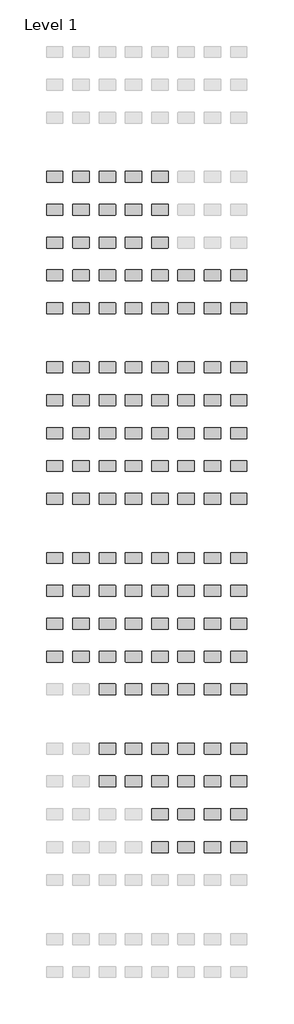
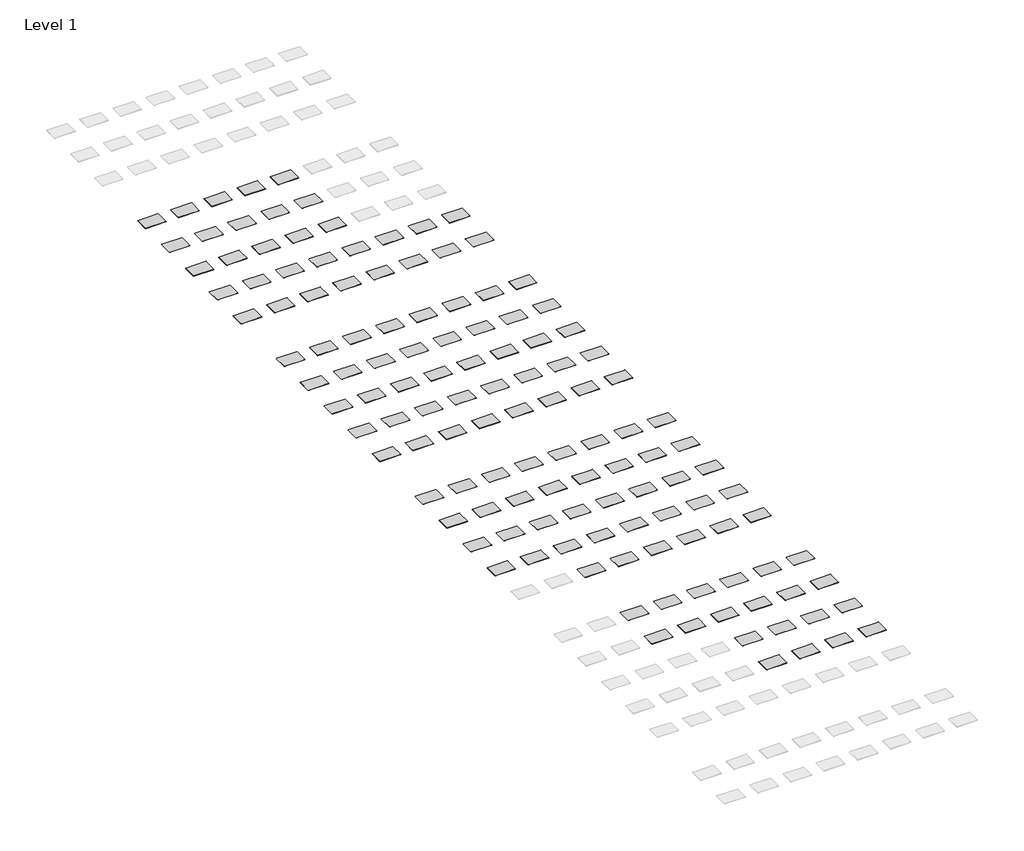
# One storey, part 7 of 8: 129 furniture elements.
"""IFC4 building model written with IfcOpenShell, lengths in millimetres."""

import ifcopenshell
import ifcopenshell.guid

model = None  # the IFC model being written
_history = None  # IfcOwnerHistory: only IFC2X3 demands one
_inside = {}  # id of a spatial element -> (the spatial element, [elements in it])
_under = {}  # id of a project, library or spatial element -> (it, [spatial elements below it])
_declared = {}  # id of a project -> (the project, [libraries it declares])
_typed = {}  # id of a type object -> (the type object, [elements of that type])
_made_of = {}  # id of a material, layer set ... -> (it, [elements and type objects made of it])


def new_model(schema):
    """Start an empty IFC model of exactly this schema.

    Asked for "IFC4X3", IfcOpenShell would pick the latest addendum, in which some entities
    have other attributes; the version numbers below select the first issue.
    IFC2X3 requires an IfcOwnerHistory on every rooted entity: one is made here for all.
    """
    global model, _history
    if schema == "IFC4X3":
        model = ifcopenshell.file(schema_version=(4, 3, 0, 0))
    else:
        model = ifcopenshell.file(schema=schema)
    _inside.clear()
    _under.clear()
    _declared.clear()
    _typed.clear()
    _made_of.clear()
    _history = None
    if model.schema == "IFC2X3":
        org = make("IfcOrganization", Name="unknown")
        user = make(
            "IfcPersonAndOrganization",
            ThePerson=make("IfcPerson", FamilyName="unknown"),
            TheOrganization=org,
        )
        app = make(
            "IfcApplication",
            ApplicationDeveloper=org,
            Version="unknown",
            ApplicationFullName="unknown",
            ApplicationIdentifier="unknown",
        )
        _history = make(
            "IfcOwnerHistory",
            OwningUser=user,
            OwningApplication=app,
            ChangeAction="ADDED",
            CreationDate=0,
        )
    return model


def make(cls, **values):
    """One entity of the class cls with the attributes given. An attribute that is None is left unset."""
    return model.create_entity(
        cls, **{name: value for name, value in values.items() if value is not None}
    )


def rooted(cls, **values):
    """An entity with a GlobalId (a new one), such as an element, a storey or a relation."""
    return make(cls, GlobalId=ifcopenshell.guid.new(), OwnerHistory=_history, **values)


def si_unit(unit_type, name, prefix=None):
    """IfcSIUnit, for example si_unit("LENGTHUNIT", "METRE", prefix="MILLI")."""
    return make("IfcSIUnit", UnitType=unit_type, Prefix=prefix, Name=name)


def assignment(units):
    """IfcUnitAssignment: the units of a project."""
    return None if units is None else make("IfcUnitAssignment", Units=units)


def point(xyz):
    """IfcCartesianPoint."""
    return None if xyz is None else make("IfcCartesianPoint", Coordinates=xyz)


def direction(xyz):
    """IfcDirection."""
    return None if xyz is None else make("IfcDirection", DirectionRatios=xyz)


def frame(location, z_axis=None, x_axis=None):
    """IfcAxis2Placement3D, a coordinate frame: its origin and axes. An axis left out is left unset."""
    return make(
        "IfcAxis2Placement3D",
        Location=point(location),
        Axis=direction(z_axis),
        RefDirection=direction(x_axis),
    )


def frame_2d(location, x_axis=None):
    """IfcAxis2Placement2D, a coordinate frame in the plane: its origin and x axis."""
    return make(
        "IfcAxis2Placement2D", Location=point(location), RefDirection=direction(x_axis)
    )


def origin():
    """The frame at (0, 0, 0) with its axes left unset."""
    return frame((0.0, 0.0, 0.0))


def place(relative_to, where):
    """IfcLocalPlacement: puts the frame where relative to a parent placement (None: the world)."""
    return make(
        "IfcLocalPlacement", PlacementRelTo=relative_to, RelativePlacement=where
    )


def context(
    kind, dimensions, precision=None, world=None, true_north=None, identifier=None
):
    """IfcGeometricRepresentationContext, for example the 3D "Model" context."""
    return make(
        "IfcGeometricRepresentationContext",
        ContextIdentifier=identifier,
        ContextType=kind,
        CoordinateSpaceDimension=dimensions,
        Precision=precision,
        WorldCoordinateSystem=world,
        TrueNorth=true_north,
    )


def project(units=None, contexts=None):
    """IfcProject with its units and contexts."""
    return rooted(
        "IfcProject",
        Name="project",
        RepresentationContexts=contexts,
        UnitsInContext=assignment(units),
    )


def spatial(cls, under=None, at=None, **own):
    """A site, building, storey or space (cls), placed at a placement, below another one or the project."""
    s = rooted(cls, ObjectPlacement=at, **own)
    if under is not None:
        _under.setdefault(under.id(), (under, []))[1].append(s)
    return s


def polyline(points):
    """IfcPolyline through the points."""
    return make("IfcPolyline", Points=[point(p) for p in points])


def circle_curve(where, radius):
    """IfcCircle in the frame where."""
    return make("IfcCircle", Position=where, Radius=radius)


def trimmed(basis, trim1, trim2, sense, master):
    """IfcTrimmedCurve: the piece of a basis curve between two trims."""
    return make(
        "IfcTrimmedCurve",
        BasisCurve=basis,
        Trim1=trim1,
        Trim2=trim2,
        SenseAgreement=sense,
        MasterRepresentation=master,
    )


def segment(curve, same_sense, transition):
    """IfcCompositeCurveSegment."""
    return make(
        "IfcCompositeCurveSegment",
        Transition=transition,
        SameSense=same_sense,
        ParentCurve=curve,
    )


def composite_curve(segments, self_intersect=None):
    """IfcCompositeCurve: segments joined end to end."""
    return make("IfcCompositeCurve", Segments=segments, SelfIntersect=self_intersect)


def outline(outer, holes=None, kind="AREA"):
    """IfcArbitraryClosedProfileDef: a profile drawn as a closed curve; with holes, ...WithVoids."""
    if holes is None:
        return make("IfcArbitraryClosedProfileDef", ProfileType=kind, OuterCurve=outer)
    return make(
        "IfcArbitraryProfileDefWithVoids",
        ProfileType=kind,
        OuterCurve=outer,
        InnerCurves=holes,
    )


def extrude(swept, where, along, depth):
    """IfcExtrudedAreaSolid: the profile swept, set in the frame where, extruded along a direction by depth."""
    return make(
        "IfcExtrudedAreaSolid",
        SweptArea=swept,
        Position=where,
        ExtrudedDirection=direction(along),
        Depth=depth,
    )


def shape(context_of_items, identifier, shape_type, items):
    """IfcShapeRepresentation: the items that make up one representation, for example the "Body"."""
    return make(
        "IfcShapeRepresentation",
        ContextOfItems=context_of_items,
        RepresentationIdentifier=identifier,
        RepresentationType=shape_type,
        Items=items,
    )


def source(mapping_origin, context_of_items, identifier, shape_type, items):
    """IfcRepresentationMap: a shape defined once, which mapped items show again and again."""
    return make(
        "IfcRepresentationMap",
        MappingOrigin=mapping_origin,
        MappedRepresentation=shape(context_of_items, identifier, shape_type, items),
    )


def transform(
    local_origin,
    x_axis=None,
    y_axis=None,
    z_axis=None,
    scale=None,
    scale2=None,
    scale3=None,
    uniform=True,
):
    """IfcCartesianTransformationOperator3D, or its non-uniform kind. x_axis, y_axis, z_axis: its Axis1, 2, 3."""
    if uniform:
        return make(
            "IfcCartesianTransformationOperator3D",
            Axis1=direction(x_axis),
            Axis2=direction(y_axis),
            LocalOrigin=point(local_origin),
            Scale=scale,
            Axis3=direction(z_axis),
        )
    return make(
        "IfcCartesianTransformationOperator3DnonUniform",
        Axis1=direction(x_axis),
        Axis2=direction(y_axis),
        LocalOrigin=point(local_origin),
        Scale=scale,
        Axis3=direction(z_axis),
        Scale2=scale2,
        Scale3=scale3,
    )


def mapped(mapping_source, mapping_target):
    """IfcMappedItem: shows the shape of a source again, moved by a transform."""
    return make(
        "IfcMappedItem", MappingSource=mapping_source, MappingTarget=mapping_target
    )


def made_of(thing, what):
    """Note that an element or type object is made of a material, layer set ...; save() writes the relation."""
    if what is not None:
        _made_of.setdefault(what.id(), (what, []))[1].append(thing)
    return thing


def element(
    cls,
    number,
    at=None,
    inside=None,
    cuts=None,
    type_object=None,
    material=None,
    context=None,
    identifier="Body",
    shape_type=None,
    held_by="IfcProductDefinitionShape",
    body=None,
    shapes=None,
    **own,
):
    """One element of the class cls, such as IfcWall. Its Tag is "e" and its number.

    at: its placement. inside: the storey or other place that contains it. cuts: it is an
    opening in that element (IfcRelVoidsElement). A single representation is given by context,
    identifier, shape_type and body (its items); several are given by shapes. held_by: the class
    of the entity that holds the representations. save() writes the other relations.
    """
    e = rooted(cls, Tag="e%d" % number, ObjectPlacement=at, **own)
    if body is not None:
        shapes = [shape(context, identifier, shape_type, body)]
    if shapes is not None:
        e.Representation = make(held_by, Representations=shapes)
    if inside is not None:
        _inside.setdefault(inside.id(), (inside, []))[1].append(e)
    if cuts is not None:
        rooted(
            "IfcRelVoidsElement", RelatingBuildingElement=cuts, RelatedOpeningElement=e
        )
    if type_object is not None:
        _typed.setdefault(type_object.id(), (type_object, []))[1].append(e)
    return made_of(e, material)


def aggregate(whole, parts):
    """IfcRelAggregates: a whole, such as a stair, and the parts it consists of."""
    return rooted("IfcRelAggregates", RelatingObject=whole, RelatedObjects=parts)


def save(model, path):
    """Write the relations noted so far, then the file.

    IfcRelAggregates (storeys below a building ...), IfcRelContainedInSpatialStructure (elements
    in a storey), IfcRelDefinesByType, IfcRelAssociatesMaterial and IfcRelDeclares: one each for
    every whole, place, type object, material and project.
    """
    for whole, parts in _under.values():
        aggregate(whole, parts)
    for where, things in _inside.values():
        rooted(
            "IfcRelContainedInSpatialStructure",
            RelatedElements=things,
            RelatingStructure=where,
        )
    for kind, things in _typed.values():
        rooted("IfcRelDefinesByType", RelatedObjects=things, RelatingType=kind)
    for what, things in _made_of.values():
        rooted("IfcRelAssociatesMaterial", RelatedObjects=things, RelatingMaterial=what)
    for by, libraries in _declared.values():
        rooted("IfcRelDeclares", RelatingContext=by, RelatedDefinitions=libraries)
    model.write(path)


def furniture_2008_material_sample3_2x3x1_8_96bf408c(model_context):
    return source(origin(), model_context, "Body", "SweptSolid", [
        extrude(outline(composite_curve([segment(trimmed(circle_curve(frame_2d((21215.2392185, 10811.8982463)), 6.35), [point((21215.2392185, 10818.2482463))], [point((21221.5892185, 10811.8982463))], False, "CARTESIAN"), True, "CONTINUOUS"), segment(polyline([(21221.5892185, 10811.8982463), (21221.5892185, 10570.5982463)]), True, "CONTINUOUS"), segment(trimmed(circle_curve(frame_2d((21215.2392185, 10570.5982463)), 6.35), [point((21221.5892185, 10570.5982463))], [point((21215.2392185, 10564.2482463))], False, "CARTESIAN"), True, "CONTINUOUS"), segment(polyline([(21215.2392185, 10564.2482463), (20846.9392185, 10564.2482463)]), True, "CONTINUOUS"), segment(trimmed(circle_curve(frame_2d((20846.9392185, 10570.5982463)), 6.35), [point((20846.9392185, 10564.2482463))], [point((20840.5892185, 10570.5982463))], False, "CARTESIAN"), True, "CONTINUOUS"), segment(polyline([(20840.5892185, 10570.5982463), (20840.5892185, 10811.8982463)]), True, "CONTINUOUS"), segment(trimmed(circle_curve(frame_2d((20846.9392185, 10811.8982463)), 6.35), [point((20840.5892185, 10811.8982463))], [point((20846.9392185, 10818.2482463))], False, "CARTESIAN"), True, "CONTINUOUS"), segment(polyline([(20846.9392185, 10818.2482463), (21215.2392185, 10818.2482463)]), True, "CONTINUOUS")], self_intersect=False)), frame((0.0, 0.0, -3.175), z_axis=(0.0, 0.0, 1.0), x_axis=(1.0, 0.0, 0.0)), (0.0, 0.0, 1.0), 3.175),
    ])


model = new_model("IFC4")

# Units and contexts
model_context = context("Model", 3, world=origin())
ifc_project = project(units=[si_unit("LENGTHUNIT", "METRE", prefix="MILLI")], contexts=[model_context])

# Site, building, storey
site = spatial("IfcSite", under=ifc_project)
building = spatial("IfcBuilding", under=site)
storey = spatial("IfcBuildingStorey", under=building, Name="Level 1", Elevation=0.0)

# Furniture
placement = place(None, origin())
furniture_2008_material_sample3_2x3x1_8_shape = furniture_2008_material_sample3_2x3x1_8_96bf408c(model_context)
element("IfcFurniture", 1, ObjectType="2008_Material Sample3 : 2x3x1/8", at=placement, inside=storey, context=model_context, shape_type="MappedRepresentation", body=[
    mapped(furniture_2008_material_sample3_2x3x1_8_shape, transform((-21031.0892185, -24331.0482463, 304.8), x_axis=(1.0, 0.0, 0.0), y_axis=(0.0, 1.0, 0.0), z_axis=(0.0, 0.0, 1.0))),
])
element("IfcFurniture", 2, ObjectType="2008_Material Sample3 : 2x3x1/8", at=placement, inside=storey, context=model_context, shape_type="MappedRepresentation", body=[
    mapped(furniture_2008_material_sample3_2x3x1_8_shape, transform((-20421.4892185, -24331.0482463, 304.8), x_axis=(1.0, 0.0, 0.0), y_axis=(0.0, 1.0, 0.0), z_axis=(0.0, 0.0, 1.0))),
])
element("IfcFurniture", 3, ObjectType="2008_Material Sample3 : 2x3x1/8", at=placement, inside=storey, context=model_context, shape_type="MappedRepresentation", body=[
    mapped(furniture_2008_material_sample3_2x3x1_8_shape, transform((-19811.8892185, -24331.0482463, 304.8), x_axis=(1.0, 0.0, 0.0), y_axis=(0.0, 1.0, 0.0), z_axis=(0.0, 0.0, 1.0))),
])
element("IfcFurniture", 4, ObjectType="2008_Material Sample3 : 2x3x1/8", at=placement, inside=storey, context=model_context, shape_type="MappedRepresentation", body=[
    mapped(furniture_2008_material_sample3_2x3x1_8_shape, transform((-19202.2892185, -24331.0482463, 304.8), x_axis=(1.0, 0.0, 0.0), y_axis=(0.0, 1.0, 0.0), z_axis=(0.0, 0.0, 1.0))),
])
element("IfcFurniture", 5, ObjectType="2008_Material Sample3 : 2x3x1/8", at=placement, inside=storey, context=model_context, shape_type="MappedRepresentation", body=[
    mapped(furniture_2008_material_sample3_2x3x1_8_shape, transform((-18592.6892185, -24331.0482463, 304.8), x_axis=(1.0, 0.0, 0.0), y_axis=(0.0, 1.0, 0.0), z_axis=(0.0, 0.0, 1.0))),
])
element("IfcFurniture", 6, ObjectType="2008_Material Sample3 : 2x3x1/8", at=placement, inside=storey, context=model_context, shape_type="MappedRepresentation", body=[
    mapped(furniture_2008_material_sample3_2x3x1_8_shape, transform((-21031.0892185, -25093.0482463, 304.8), x_axis=(1.0, 0.0, 0.0), y_axis=(0.0, 1.0, 0.0), z_axis=(0.0, 0.0, 1.0))),
])
element("IfcFurniture", 7, ObjectType="2008_Material Sample3 : 2x3x1/8", at=placement, inside=storey, context=model_context, shape_type="MappedRepresentation", body=[
    mapped(furniture_2008_material_sample3_2x3x1_8_shape, transform((-20421.4892185, -25093.0482463, 304.8), x_axis=(1.0, 0.0, 0.0), y_axis=(0.0, 1.0, 0.0), z_axis=(0.0, 0.0, 1.0))),
])
element("IfcFurniture", 8, ObjectType="2008_Material Sample3 : 2x3x1/8", at=placement, inside=storey, context=model_context, shape_type="MappedRepresentation", body=[
    mapped(furniture_2008_material_sample3_2x3x1_8_shape, transform((-19811.8892185, -25093.0482463, 304.8), x_axis=(1.0, 0.0, 0.0), y_axis=(0.0, 1.0, 0.0), z_axis=(0.0, 0.0, 1.0))),
])
element("IfcFurniture", 9, ObjectType="2008_Material Sample3 : 2x3x1/8", at=placement, inside=storey, context=model_context, shape_type="MappedRepresentation", body=[
    mapped(furniture_2008_material_sample3_2x3x1_8_shape, transform((-19202.2892185, -25093.0482463, 304.8), x_axis=(1.0, 0.0, 0.0), y_axis=(0.0, 1.0, 0.0), z_axis=(0.0, 0.0, 1.0))),
])
element("IfcFurniture", 10, ObjectType="2008_Material Sample3 : 2x3x1/8", at=placement, inside=storey, context=model_context, shape_type="MappedRepresentation", body=[
    mapped(furniture_2008_material_sample3_2x3x1_8_shape, transform((-18592.6892185, -25093.0482463, 304.8), x_axis=(1.0, 0.0, 0.0), y_axis=(0.0, 1.0, 0.0), z_axis=(0.0, 0.0, 1.0))),
])
element("IfcFurniture", 11, ObjectType="2008_Material Sample3 : 2x3x1/8", at=placement, inside=storey, context=model_context, shape_type="MappedRepresentation", body=[
    mapped(furniture_2008_material_sample3_2x3x1_8_shape, transform((-21031.0892185, -25855.0482463, 304.8), x_axis=(1.0, 0.0, 0.0), y_axis=(0.0, 1.0, 0.0), z_axis=(0.0, 0.0, 1.0))),
])
element("IfcFurniture", 12, ObjectType="2008_Material Sample3 : 2x3x1/8", at=placement, inside=storey, context=model_context, shape_type="MappedRepresentation", body=[
    mapped(furniture_2008_material_sample3_2x3x1_8_shape, transform((-20421.4892185, -25855.0482463, 304.8), x_axis=(1.0, 0.0, 0.0), y_axis=(0.0, 1.0, 0.0), z_axis=(0.0, 0.0, 1.0))),
])
element("IfcFurniture", 13, ObjectType="2008_Material Sample3 : 2x3x1/8", at=placement, inside=storey, context=model_context, shape_type="MappedRepresentation", body=[
    mapped(furniture_2008_material_sample3_2x3x1_8_shape, transform((-19811.8892185, -25855.0482463, 304.8), x_axis=(1.0, 0.0, 0.0), y_axis=(0.0, 1.0, 0.0), z_axis=(0.0, 0.0, 1.0))),
])
element("IfcFurniture", 14, ObjectType="2008_Material Sample3 : 2x3x1/8", at=placement, inside=storey, context=model_context, shape_type="MappedRepresentation", body=[
    mapped(furniture_2008_material_sample3_2x3x1_8_shape, transform((-19202.2892185, -25855.0482463, 304.8), x_axis=(1.0, 0.0, 0.0), y_axis=(0.0, 1.0, 0.0), z_axis=(0.0, 0.0, 1.0))),
])
element("IfcFurniture", 15, ObjectType="2008_Material Sample3 : 2x3x1/8", at=placement, inside=storey, context=model_context, shape_type="MappedRepresentation", body=[
    mapped(furniture_2008_material_sample3_2x3x1_8_shape, transform((-18592.6892185, -25855.0482463, 304.8), x_axis=(1.0, 0.0, 0.0), y_axis=(0.0, 1.0, 0.0), z_axis=(0.0, 0.0, 1.0))),
])
element("IfcFurniture", 16, ObjectType="2008_Material Sample3 : 2x3x1/8", at=placement, inside=storey, context=model_context, shape_type="MappedRepresentation", body=[
    mapped(furniture_2008_material_sample3_2x3x1_8_shape, transform((-21031.0892185, -26617.0482463, 304.8), x_axis=(1.0, 0.0, 0.0), y_axis=(0.0, 1.0, 0.0), z_axis=(0.0, 0.0, 1.0))),
])
element("IfcFurniture", 17, ObjectType="2008_Material Sample3 : 2x3x1/8", at=placement, inside=storey, context=model_context, shape_type="MappedRepresentation", body=[
    mapped(furniture_2008_material_sample3_2x3x1_8_shape, transform((-20421.4892185, -26617.0482463, 304.8), x_axis=(1.0, 0.0, 0.0), y_axis=(0.0, 1.0, 0.0), z_axis=(0.0, 0.0, 1.0))),
])
element("IfcFurniture", 18, ObjectType="2008_Material Sample3 : 2x3x1/8", at=placement, inside=storey, context=model_context, shape_type="MappedRepresentation", body=[
    mapped(furniture_2008_material_sample3_2x3x1_8_shape, transform((-19811.8892185, -26617.0482463, 304.8), x_axis=(1.0, 0.0, 0.0), y_axis=(0.0, 1.0, 0.0), z_axis=(0.0, 0.0, 1.0))),
])
element("IfcFurniture", 19, ObjectType="2008_Material Sample3 : 2x3x1/8", at=placement, inside=storey, context=model_context, shape_type="MappedRepresentation", body=[
    mapped(furniture_2008_material_sample3_2x3x1_8_shape, transform((-19202.2892185, -26617.0482463, 304.8), x_axis=(1.0, 0.0, 0.0), y_axis=(0.0, 1.0, 0.0), z_axis=(0.0, 0.0, 1.0))),
])
element("IfcFurniture", 20, ObjectType="2008_Material Sample3 : 2x3x1/8", at=placement, inside=storey, context=model_context, shape_type="MappedRepresentation", body=[
    mapped(furniture_2008_material_sample3_2x3x1_8_shape, transform((-18592.6892185, -26617.0482463, 304.8), x_axis=(1.0, 0.0, 0.0), y_axis=(0.0, 1.0, 0.0), z_axis=(0.0, 0.0, 1.0))),
])
element("IfcFurniture", 21, ObjectType="2008_Material Sample3 : 2x3x1/8", at=placement, inside=storey, context=model_context, shape_type="MappedRepresentation", body=[
    mapped(furniture_2008_material_sample3_2x3x1_8_shape, transform((-17983.0892185, -26617.0482463, 304.8), x_axis=(1.0, 0.0, 0.0), y_axis=(0.0, 1.0, 0.0), z_axis=(0.0, 0.0, 1.0))),
])
element("IfcFurniture", 22, ObjectType="2008_Material Sample3 : 2x3x1/8", at=placement, inside=storey, context=model_context, shape_type="MappedRepresentation", body=[
    mapped(furniture_2008_material_sample3_2x3x1_8_shape, transform((-17373.4892185, -26617.0482463, 304.8), x_axis=(1.0, 0.0, 0.0), y_axis=(0.0, 1.0, 0.0), z_axis=(0.0, 0.0, 1.0))),
])
element("IfcFurniture", 23, ObjectType="2008_Material Sample3 : 2x3x1/8", at=placement, inside=storey, context=model_context, shape_type="MappedRepresentation", body=[
    mapped(furniture_2008_material_sample3_2x3x1_8_shape, transform((-16763.8892185, -26617.0482463, 304.8), x_axis=(1.0, 0.0, 0.0), y_axis=(0.0, 1.0, 0.0), z_axis=(0.0, 0.0, 1.0))),
])
element("IfcFurniture", 24, ObjectType="2008_Material Sample3 : 2x3x1/8", at=placement, inside=storey, context=model_context, shape_type="MappedRepresentation", body=[
    mapped(furniture_2008_material_sample3_2x3x1_8_shape, transform((-21031.0892185, -27379.0482463, 304.8), x_axis=(1.0, 0.0, 0.0), y_axis=(0.0, 1.0, 0.0), z_axis=(0.0, 0.0, 1.0))),
])
element("IfcFurniture", 25, ObjectType="2008_Material Sample3 : 2x3x1/8", at=placement, inside=storey, context=model_context, shape_type="MappedRepresentation", body=[
    mapped(furniture_2008_material_sample3_2x3x1_8_shape, transform((-20421.4892185, -27379.0482463, 304.8), x_axis=(1.0, 0.0, 0.0), y_axis=(0.0, 1.0, 0.0), z_axis=(0.0, 0.0, 1.0))),
])
element("IfcFurniture", 26, ObjectType="2008_Material Sample3 : 2x3x1/8", at=placement, inside=storey, context=model_context, shape_type="MappedRepresentation", body=[
    mapped(furniture_2008_material_sample3_2x3x1_8_shape, transform((-19811.8892185, -27379.0482463, 304.8), x_axis=(1.0, 0.0, 0.0), y_axis=(0.0, 1.0, 0.0), z_axis=(0.0, 0.0, 1.0))),
])
element("IfcFurniture", 27, ObjectType="2008_Material Sample3 : 2x3x1/8", at=placement, inside=storey, context=model_context, shape_type="MappedRepresentation", body=[
    mapped(furniture_2008_material_sample3_2x3x1_8_shape, transform((-19202.2892185, -27379.0482463, 304.8), x_axis=(1.0, 0.0, 0.0), y_axis=(0.0, 1.0, 0.0), z_axis=(0.0, 0.0, 1.0))),
])
element("IfcFurniture", 28, ObjectType="2008_Material Sample3 : 2x3x1/8", at=placement, inside=storey, context=model_context, shape_type="MappedRepresentation", body=[
    mapped(furniture_2008_material_sample3_2x3x1_8_shape, transform((-18592.6892185, -27379.0482463, 304.8), x_axis=(1.0, 0.0, 0.0), y_axis=(0.0, 1.0, 0.0), z_axis=(0.0, 0.0, 1.0))),
])
element("IfcFurniture", 29, ObjectType="2008_Material Sample3 : 2x3x1/8", at=placement, inside=storey, context=model_context, shape_type="MappedRepresentation", body=[
    mapped(furniture_2008_material_sample3_2x3x1_8_shape, transform((-17983.0892185, -27379.0482463, 304.8), x_axis=(1.0, 0.0, 0.0), y_axis=(0.0, 1.0, 0.0), z_axis=(0.0, 0.0, 1.0))),
])
element("IfcFurniture", 30, ObjectType="2008_Material Sample3 : 2x3x1/8", at=placement, inside=storey, context=model_context, shape_type="MappedRepresentation", body=[
    mapped(furniture_2008_material_sample3_2x3x1_8_shape, transform((-17373.4892185, -27379.0482463, 304.8), x_axis=(1.0, 0.0, 0.0), y_axis=(0.0, 1.0, 0.0), z_axis=(0.0, 0.0, 1.0))),
])
element("IfcFurniture", 31, ObjectType="2008_Material Sample3 : 2x3x1/8", at=placement, inside=storey, context=model_context, shape_type="MappedRepresentation", body=[
    mapped(furniture_2008_material_sample3_2x3x1_8_shape, transform((-16763.8892185, -27379.0482463, 304.8), x_axis=(1.0, 0.0, 0.0), y_axis=(0.0, 1.0, 0.0), z_axis=(0.0, 0.0, 1.0))),
])
element("IfcFurniture", 32, ObjectType="2008_Material Sample3 : 2x3x1/8", at=placement, inside=storey, context=model_context, shape_type="MappedRepresentation", body=[
    mapped(furniture_2008_material_sample3_2x3x1_8_shape, transform((-21031.0892185, -28750.6482463, 304.8), x_axis=(1.0, 0.0, 0.0), y_axis=(0.0, 1.0, 0.0), z_axis=(0.0, 0.0, 1.0))),
])
element("IfcFurniture", 33, ObjectType="2008_Material Sample3 : 2x3x1/8", at=placement, inside=storey, context=model_context, shape_type="MappedRepresentation", body=[
    mapped(furniture_2008_material_sample3_2x3x1_8_shape, transform((-20421.4892185, -28750.6482463, 304.8), x_axis=(1.0, 0.0, 0.0), y_axis=(0.0, 1.0, 0.0), z_axis=(0.0, 0.0, 1.0))),
])
element("IfcFurniture", 34, ObjectType="2008_Material Sample3 : 2x3x1/8", at=placement, inside=storey, context=model_context, shape_type="MappedRepresentation", body=[
    mapped(furniture_2008_material_sample3_2x3x1_8_shape, transform((-19811.8892185, -28750.6482463, 304.8), x_axis=(1.0, 0.0, 0.0), y_axis=(0.0, 1.0, 0.0), z_axis=(0.0, 0.0, 1.0))),
])
element("IfcFurniture", 35, ObjectType="2008_Material Sample3 : 2x3x1/8", at=placement, inside=storey, context=model_context, shape_type="MappedRepresentation", body=[
    mapped(furniture_2008_material_sample3_2x3x1_8_shape, transform((-19202.2892185, -28750.6482463, 304.8), x_axis=(1.0, 0.0, 0.0), y_axis=(0.0, 1.0, 0.0), z_axis=(0.0, 0.0, 1.0))),
])
element("IfcFurniture", 36, ObjectType="2008_Material Sample3 : 2x3x1/8", at=placement, inside=storey, context=model_context, shape_type="MappedRepresentation", body=[
    mapped(furniture_2008_material_sample3_2x3x1_8_shape, transform((-18592.6892185, -28750.6482463, 304.8), x_axis=(1.0, 0.0, 0.0), y_axis=(0.0, 1.0, 0.0), z_axis=(0.0, 0.0, 1.0))),
])
element("IfcFurniture", 37, ObjectType="2008_Material Sample3 : 2x3x1/8", at=placement, inside=storey, context=model_context, shape_type="MappedRepresentation", body=[
    mapped(furniture_2008_material_sample3_2x3x1_8_shape, transform((-17983.0892185, -28750.6482463, 304.8), x_axis=(1.0, 0.0, 0.0), y_axis=(0.0, 1.0, 0.0), z_axis=(0.0, 0.0, 1.0))),
])
element("IfcFurniture", 38, ObjectType="2008_Material Sample3 : 2x3x1/8", at=placement, inside=storey, context=model_context, shape_type="MappedRepresentation", body=[
    mapped(furniture_2008_material_sample3_2x3x1_8_shape, transform((-17373.4892185, -28750.6482463, 304.8), x_axis=(1.0, 0.0, 0.0), y_axis=(0.0, 1.0, 0.0), z_axis=(0.0, 0.0, 1.0))),
])
element("IfcFurniture", 39, ObjectType="2008_Material Sample3 : 2x3x1/8", at=placement, inside=storey, context=model_context, shape_type="MappedRepresentation", body=[
    mapped(furniture_2008_material_sample3_2x3x1_8_shape, transform((-16763.8892185, -28750.6482463, 304.8), x_axis=(1.0, 0.0, 0.0), y_axis=(0.0, 1.0, 0.0), z_axis=(0.0, 0.0, 1.0))),
])
element("IfcFurniture", 40, ObjectType="2008_Material Sample3 : 2x3x1/8", at=placement, inside=storey, context=model_context, shape_type="MappedRepresentation", body=[
    mapped(furniture_2008_material_sample3_2x3x1_8_shape, transform((-21031.0892185, -29512.6482463, 304.8), x_axis=(1.0, 0.0, 0.0), y_axis=(0.0, 1.0, 0.0), z_axis=(0.0, 0.0, 1.0))),
])
element("IfcFurniture", 41, ObjectType="2008_Material Sample3 : 2x3x1/8", at=placement, inside=storey, context=model_context, shape_type="MappedRepresentation", body=[
    mapped(furniture_2008_material_sample3_2x3x1_8_shape, transform((-20421.4892185, -29512.6482463, 304.8), x_axis=(1.0, 0.0, 0.0), y_axis=(0.0, 1.0, 0.0), z_axis=(0.0, 0.0, 1.0))),
])
element("IfcFurniture", 42, ObjectType="2008_Material Sample3 : 2x3x1/8", at=placement, inside=storey, context=model_context, shape_type="MappedRepresentation", body=[
    mapped(furniture_2008_material_sample3_2x3x1_8_shape, transform((-19811.8892185, -29512.6482463, 304.8), x_axis=(1.0, 0.0, 0.0), y_axis=(0.0, 1.0, 0.0), z_axis=(0.0, 0.0, 1.0))),
])
element("IfcFurniture", 43, ObjectType="2008_Material Sample3 : 2x3x1/8", at=placement, inside=storey, context=model_context, shape_type="MappedRepresentation", body=[
    mapped(furniture_2008_material_sample3_2x3x1_8_shape, transform((-19202.2892185, -29512.6482463, 304.8), x_axis=(1.0, 0.0, 0.0), y_axis=(0.0, 1.0, 0.0), z_axis=(0.0, 0.0, 1.0))),
])
element("IfcFurniture", 44, ObjectType="2008_Material Sample3 : 2x3x1/8", at=placement, inside=storey, context=model_context, shape_type="MappedRepresentation", body=[
    mapped(furniture_2008_material_sample3_2x3x1_8_shape, transform((-18592.6892185, -29512.6482463, 304.8), x_axis=(1.0, 0.0, 0.0), y_axis=(0.0, 1.0, 0.0), z_axis=(0.0, 0.0, 1.0))),
])
element("IfcFurniture", 45, ObjectType="2008_Material Sample3 : 2x3x1/8", at=placement, inside=storey, context=model_context, shape_type="MappedRepresentation", body=[
    mapped(furniture_2008_material_sample3_2x3x1_8_shape, transform((-17983.0892185, -29512.6482463, 304.8), x_axis=(1.0, 0.0, 0.0), y_axis=(0.0, 1.0, 0.0), z_axis=(0.0, 0.0, 1.0))),
])
element("IfcFurniture", 46, ObjectType="2008_Material Sample3 : 2x3x1/8", at=placement, inside=storey, context=model_context, shape_type="MappedRepresentation", body=[
    mapped(furniture_2008_material_sample3_2x3x1_8_shape, transform((-17373.4892185, -29512.6482463, 304.8), x_axis=(1.0, 0.0, 0.0), y_axis=(0.0, 1.0, 0.0), z_axis=(0.0, 0.0, 1.0))),
])
element("IfcFurniture", 47, ObjectType="2008_Material Sample3 : 2x3x1/8", at=placement, inside=storey, context=model_context, shape_type="MappedRepresentation", body=[
    mapped(furniture_2008_material_sample3_2x3x1_8_shape, transform((-16763.8892185, -29512.6482463, 304.8), x_axis=(1.0, 0.0, 0.0), y_axis=(0.0, 1.0, 0.0), z_axis=(0.0, 0.0, 1.0))),
])
element("IfcFurniture", 48, ObjectType="2008_Material Sample3 : 2x3x1/8", at=placement, inside=storey, context=model_context, shape_type="MappedRepresentation", body=[
    mapped(furniture_2008_material_sample3_2x3x1_8_shape, transform((-21031.0892185, -30274.6482463, 304.8), x_axis=(1.0, 0.0, 0.0), y_axis=(0.0, 1.0, 0.0), z_axis=(0.0, 0.0, 1.0))),
])
element("IfcFurniture", 49, ObjectType="2008_Material Sample3 : 2x3x1/8", at=placement, inside=storey, context=model_context, shape_type="MappedRepresentation", body=[
    mapped(furniture_2008_material_sample3_2x3x1_8_shape, transform((-20421.4892185, -30274.6482463, 304.8), x_axis=(1.0, 0.0, 0.0), y_axis=(0.0, 1.0, 0.0), z_axis=(0.0, 0.0, 1.0))),
])
element("IfcFurniture", 50, ObjectType="2008_Material Sample3 : 2x3x1/8", at=placement, inside=storey, context=model_context, shape_type="MappedRepresentation", body=[
    mapped(furniture_2008_material_sample3_2x3x1_8_shape, transform((-19811.8892185, -30274.6482463, 304.8), x_axis=(1.0, 0.0, 0.0), y_axis=(0.0, 1.0, 0.0), z_axis=(0.0, 0.0, 1.0))),
])
element("IfcFurniture", 51, ObjectType="2008_Material Sample3 : 2x3x1/8", at=placement, inside=storey, context=model_context, shape_type="MappedRepresentation", body=[
    mapped(furniture_2008_material_sample3_2x3x1_8_shape, transform((-19202.2892185, -30274.6482463, 304.8), x_axis=(1.0, 0.0, 0.0), y_axis=(0.0, 1.0, 0.0), z_axis=(0.0, 0.0, 1.0))),
])
element("IfcFurniture", 52, ObjectType="2008_Material Sample3 : 2x3x1/8", at=placement, inside=storey, context=model_context, shape_type="MappedRepresentation", body=[
    mapped(furniture_2008_material_sample3_2x3x1_8_shape, transform((-18592.6892185, -30274.6482463, 304.8), x_axis=(1.0, 0.0, 0.0), y_axis=(0.0, 1.0, 0.0), z_axis=(0.0, 0.0, 1.0))),
])
element("IfcFurniture", 53, ObjectType="2008_Material Sample3 : 2x3x1/8", at=placement, inside=storey, context=model_context, shape_type="MappedRepresentation", body=[
    mapped(furniture_2008_material_sample3_2x3x1_8_shape, transform((-17983.0892185, -30274.6482463, 304.8), x_axis=(1.0, 0.0, 0.0), y_axis=(0.0, 1.0, 0.0), z_axis=(0.0, 0.0, 1.0))),
])
element("IfcFurniture", 54, ObjectType="2008_Material Sample3 : 2x3x1/8", at=placement, inside=storey, context=model_context, shape_type="MappedRepresentation", body=[
    mapped(furniture_2008_material_sample3_2x3x1_8_shape, transform((-17373.4892185, -30274.6482463, 304.8), x_axis=(1.0, 0.0, 0.0), y_axis=(0.0, 1.0, 0.0), z_axis=(0.0, 0.0, 1.0))),
])
element("IfcFurniture", 55, ObjectType="2008_Material Sample3 : 2x3x1/8", at=placement, inside=storey, context=model_context, shape_type="MappedRepresentation", body=[
    mapped(furniture_2008_material_sample3_2x3x1_8_shape, transform((-16763.8892185, -30274.6482463, 304.8), x_axis=(1.0, 0.0, 0.0), y_axis=(0.0, 1.0, 0.0), z_axis=(0.0, 0.0, 1.0))),
])
element("IfcFurniture", 56, ObjectType="2008_Material Sample3 : 2x3x1/8", at=placement, inside=storey, context=model_context, shape_type="MappedRepresentation", body=[
    mapped(furniture_2008_material_sample3_2x3x1_8_shape, transform((-21031.0892185, -31036.6482463, 304.8), x_axis=(1.0, 0.0, 0.0), y_axis=(0.0, 1.0, 0.0), z_axis=(0.0, 0.0, 1.0))),
])
element("IfcFurniture", 57, ObjectType="2008_Material Sample3 : 2x3x1/8", at=placement, inside=storey, context=model_context, shape_type="MappedRepresentation", body=[
    mapped(furniture_2008_material_sample3_2x3x1_8_shape, transform((-20421.4892185, -31036.6482463, 304.8), x_axis=(1.0, 0.0, 0.0), y_axis=(0.0, 1.0, 0.0), z_axis=(0.0, 0.0, 1.0))),
])
element("IfcFurniture", 58, ObjectType="2008_Material Sample3 : 2x3x1/8", at=placement, inside=storey, context=model_context, shape_type="MappedRepresentation", body=[
    mapped(furniture_2008_material_sample3_2x3x1_8_shape, transform((-19811.8892185, -31036.6482463, 304.8), x_axis=(1.0, 0.0, 0.0), y_axis=(0.0, 1.0, 0.0), z_axis=(0.0, 0.0, 1.0))),
])
element("IfcFurniture", 59, ObjectType="2008_Material Sample3 : 2x3x1/8", at=placement, inside=storey, context=model_context, shape_type="MappedRepresentation", body=[
    mapped(furniture_2008_material_sample3_2x3x1_8_shape, transform((-19202.2892185, -31036.6482463, 304.8), x_axis=(1.0, 0.0, 0.0), y_axis=(0.0, 1.0, 0.0), z_axis=(0.0, 0.0, 1.0))),
])
element("IfcFurniture", 60, ObjectType="2008_Material Sample3 : 2x3x1/8", at=placement, inside=storey, context=model_context, shape_type="MappedRepresentation", body=[
    mapped(furniture_2008_material_sample3_2x3x1_8_shape, transform((-18592.6892185, -31036.6482463, 304.8), x_axis=(1.0, 0.0, 0.0), y_axis=(0.0, 1.0, 0.0), z_axis=(0.0, 0.0, 1.0))),
])
element("IfcFurniture", 61, ObjectType="2008_Material Sample3 : 2x3x1/8", at=placement, inside=storey, context=model_context, shape_type="MappedRepresentation", body=[
    mapped(furniture_2008_material_sample3_2x3x1_8_shape, transform((-17983.0892185, -31036.6482463, 304.8), x_axis=(1.0, 0.0, 0.0), y_axis=(0.0, 1.0, 0.0), z_axis=(0.0, 0.0, 1.0))),
])
element("IfcFurniture", 62, ObjectType="2008_Material Sample3 : 2x3x1/8", at=placement, inside=storey, context=model_context, shape_type="MappedRepresentation", body=[
    mapped(furniture_2008_material_sample3_2x3x1_8_shape, transform((-17373.4892185, -31036.6482463, 304.8), x_axis=(1.0, 0.0, 0.0), y_axis=(0.0, 1.0, 0.0), z_axis=(0.0, 0.0, 1.0))),
])
element("IfcFurniture", 63, ObjectType="2008_Material Sample3 : 2x3x1/8", at=placement, inside=storey, context=model_context, shape_type="MappedRepresentation", body=[
    mapped(furniture_2008_material_sample3_2x3x1_8_shape, transform((-16763.8892185, -31036.6482463, 304.8), x_axis=(1.0, 0.0, 0.0), y_axis=(0.0, 1.0, 0.0), z_axis=(0.0, 0.0, 1.0))),
])
element("IfcFurniture", 64, ObjectType="2008_Material Sample3 : 2x3x1/8", at=placement, inside=storey, context=model_context, shape_type="MappedRepresentation", body=[
    mapped(furniture_2008_material_sample3_2x3x1_8_shape, transform((-21031.0892185, -31798.6482463, 304.8), x_axis=(1.0, 0.0, 0.0), y_axis=(0.0, 1.0, 0.0), z_axis=(0.0, 0.0, 1.0))),
])
element("IfcFurniture", 65, ObjectType="2008_Material Sample3 : 2x3x1/8", at=placement, inside=storey, context=model_context, shape_type="MappedRepresentation", body=[
    mapped(furniture_2008_material_sample3_2x3x1_8_shape, transform((-20421.4892185, -31798.6482463, 304.8), x_axis=(1.0, 0.0, 0.0), y_axis=(0.0, 1.0, 0.0), z_axis=(0.0, 0.0, 1.0))),
])
element("IfcFurniture", 66, ObjectType="2008_Material Sample3 : 2x3x1/8", at=placement, inside=storey, context=model_context, shape_type="MappedRepresentation", body=[
    mapped(furniture_2008_material_sample3_2x3x1_8_shape, transform((-19811.8892185, -31798.6482463, 304.8), x_axis=(1.0, 0.0, 0.0), y_axis=(0.0, 1.0, 0.0), z_axis=(0.0, 0.0, 1.0))),
])
element("IfcFurniture", 67, ObjectType="2008_Material Sample3 : 2x3x1/8", at=placement, inside=storey, context=model_context, shape_type="MappedRepresentation", body=[
    mapped(furniture_2008_material_sample3_2x3x1_8_shape, transform((-19202.2892185, -31798.6482463, 304.8), x_axis=(1.0, 0.0, 0.0), y_axis=(0.0, 1.0, 0.0), z_axis=(0.0, 0.0, 1.0))),
])
element("IfcFurniture", 68, ObjectType="2008_Material Sample3 : 2x3x1/8", at=placement, inside=storey, context=model_context, shape_type="MappedRepresentation", body=[
    mapped(furniture_2008_material_sample3_2x3x1_8_shape, transform((-18592.6892185, -31798.6482463, 304.8), x_axis=(1.0, 0.0, 0.0), y_axis=(0.0, 1.0, 0.0), z_axis=(0.0, 0.0, 1.0))),
])
element("IfcFurniture", 69, ObjectType="2008_Material Sample3 : 2x3x1/8", at=placement, inside=storey, context=model_context, shape_type="MappedRepresentation", body=[
    mapped(furniture_2008_material_sample3_2x3x1_8_shape, transform((-17983.0892185, -31798.6482463, 304.8), x_axis=(1.0, 0.0, 0.0), y_axis=(0.0, 1.0, 0.0), z_axis=(0.0, 0.0, 1.0))),
])
element("IfcFurniture", 70, ObjectType="2008_Material Sample3 : 2x3x1/8", at=placement, inside=storey, context=model_context, shape_type="MappedRepresentation", body=[
    mapped(furniture_2008_material_sample3_2x3x1_8_shape, transform((-17373.4892185, -31798.6482463, 304.8), x_axis=(1.0, 0.0, 0.0), y_axis=(0.0, 1.0, 0.0), z_axis=(0.0, 0.0, 1.0))),
])
element("IfcFurniture", 71, ObjectType="2008_Material Sample3 : 2x3x1/8", at=placement, inside=storey, context=model_context, shape_type="MappedRepresentation", body=[
    mapped(furniture_2008_material_sample3_2x3x1_8_shape, transform((-16763.8892185, -31798.6482463, 304.8), x_axis=(1.0, 0.0, 0.0), y_axis=(0.0, 1.0, 0.0), z_axis=(0.0, 0.0, 1.0))),
])
element("IfcFurniture", 72, ObjectType="2008_Material Sample3 : 2x3x1/8", at=placement, inside=storey, context=model_context, shape_type="MappedRepresentation", body=[
    mapped(furniture_2008_material_sample3_2x3x1_8_shape, transform((-21031.0892185, -33170.2482463, 304.8), x_axis=(1.0, 0.0, 0.0), y_axis=(0.0, 1.0, 0.0), z_axis=(0.0, 0.0, 1.0))),
])
element("IfcFurniture", 73, ObjectType="2008_Material Sample3 : 2x3x1/8", at=placement, inside=storey, context=model_context, shape_type="MappedRepresentation", body=[
    mapped(furniture_2008_material_sample3_2x3x1_8_shape, transform((-20421.4892185, -33170.2482463, 304.8), x_axis=(1.0, 0.0, 0.0), y_axis=(0.0, 1.0, 0.0), z_axis=(0.0, 0.0, 1.0))),
])
element("IfcFurniture", 74, ObjectType="2008_Material Sample3 : 2x3x1/8", at=placement, inside=storey, context=model_context, shape_type="MappedRepresentation", body=[
    mapped(furniture_2008_material_sample3_2x3x1_8_shape, transform((-19811.8892185, -33170.2482463, 304.8), x_axis=(1.0, 0.0, 0.0), y_axis=(0.0, 1.0, 0.0), z_axis=(0.0, 0.0, 1.0))),
])
element("IfcFurniture", 75, ObjectType="2008_Material Sample3 : 2x3x1/8", at=placement, inside=storey, context=model_context, shape_type="MappedRepresentation", body=[
    mapped(furniture_2008_material_sample3_2x3x1_8_shape, transform((-19202.2892185, -33170.2482463, 304.8), x_axis=(1.0, 0.0, 0.0), y_axis=(0.0, 1.0, 0.0), z_axis=(0.0, 0.0, 1.0))),
])
element("IfcFurniture", 76, ObjectType="2008_Material Sample3 : 2x3x1/8", at=placement, inside=storey, context=model_context, shape_type="MappedRepresentation", body=[
    mapped(furniture_2008_material_sample3_2x3x1_8_shape, transform((-18592.6892185, -33170.2482463, 304.8), x_axis=(1.0, 0.0, 0.0), y_axis=(0.0, 1.0, 0.0), z_axis=(0.0, 0.0, 1.0))),
])
element("IfcFurniture", 77, ObjectType="2008_Material Sample3 : 2x3x1/8", at=placement, inside=storey, context=model_context, shape_type="MappedRepresentation", body=[
    mapped(furniture_2008_material_sample3_2x3x1_8_shape, transform((-17983.0892185, -33170.2482463, 304.8), x_axis=(1.0, 0.0, 0.0), y_axis=(0.0, 1.0, 0.0), z_axis=(0.0, 0.0, 1.0))),
])
element("IfcFurniture", 78, ObjectType="2008_Material Sample3 : 2x3x1/8", at=placement, inside=storey, context=model_context, shape_type="MappedRepresentation", body=[
    mapped(furniture_2008_material_sample3_2x3x1_8_shape, transform((-17373.4892185, -33170.2482463, 304.8), x_axis=(1.0, 0.0, 0.0), y_axis=(0.0, 1.0, 0.0), z_axis=(0.0, 0.0, 1.0))),
])
element("IfcFurniture", 79, ObjectType="2008_Material Sample3 : 2x3x1/8", at=placement, inside=storey, context=model_context, shape_type="MappedRepresentation", body=[
    mapped(furniture_2008_material_sample3_2x3x1_8_shape, transform((-16763.8892185, -33170.2482463, 304.8), x_axis=(1.0, 0.0, 0.0), y_axis=(0.0, 1.0, 0.0), z_axis=(0.0, 0.0, 1.0))),
])
element("IfcFurniture", 80, ObjectType="2008_Material Sample3 : 2x3x1/8", at=placement, inside=storey, context=model_context, shape_type="MappedRepresentation", body=[
    mapped(furniture_2008_material_sample3_2x3x1_8_shape, transform((-21031.0892185, -33932.2482463, 304.8), x_axis=(1.0, 0.0, 0.0), y_axis=(0.0, 1.0, 0.0), z_axis=(0.0, 0.0, 1.0))),
])
element("IfcFurniture", 81, ObjectType="2008_Material Sample3 : 2x3x1/8", at=placement, inside=storey, context=model_context, shape_type="MappedRepresentation", body=[
    mapped(furniture_2008_material_sample3_2x3x1_8_shape, transform((-20421.4892185, -33932.2482463, 304.8), x_axis=(1.0, 0.0, 0.0), y_axis=(0.0, 1.0, 0.0), z_axis=(0.0, 0.0, 1.0))),
])
element("IfcFurniture", 82, ObjectType="2008_Material Sample3 : 2x3x1/8", at=placement, inside=storey, context=model_context, shape_type="MappedRepresentation", body=[
    mapped(furniture_2008_material_sample3_2x3x1_8_shape, transform((-19811.8892185, -33932.2482463, 304.8), x_axis=(1.0, 0.0, 0.0), y_axis=(0.0, 1.0, 0.0), z_axis=(0.0, 0.0, 1.0))),
])
element("IfcFurniture", 83, ObjectType="2008_Material Sample3 : 2x3x1/8", at=placement, inside=storey, context=model_context, shape_type="MappedRepresentation", body=[
    mapped(furniture_2008_material_sample3_2x3x1_8_shape, transform((-19202.2892185, -33932.2482463, 304.8), x_axis=(1.0, 0.0, 0.0), y_axis=(0.0, 1.0, 0.0), z_axis=(0.0, 0.0, 1.0))),
])
element("IfcFurniture", 84, ObjectType="2008_Material Sample3 : 2x3x1/8", at=placement, inside=storey, context=model_context, shape_type="MappedRepresentation", body=[
    mapped(furniture_2008_material_sample3_2x3x1_8_shape, transform((-18592.6892185, -33932.2482463, 304.8), x_axis=(1.0, 0.0, 0.0), y_axis=(0.0, 1.0, 0.0), z_axis=(0.0, 0.0, 1.0))),
])
element("IfcFurniture", 85, ObjectType="2008_Material Sample3 : 2x3x1/8", at=placement, inside=storey, context=model_context, shape_type="MappedRepresentation", body=[
    mapped(furniture_2008_material_sample3_2x3x1_8_shape, transform((-17983.0892185, -33932.2482463, 304.8), x_axis=(1.0, 0.0, 0.0), y_axis=(0.0, 1.0, 0.0), z_axis=(0.0, 0.0, 1.0))),
])
element("IfcFurniture", 86, ObjectType="2008_Material Sample3 : 2x3x1/8", at=placement, inside=storey, context=model_context, shape_type="MappedRepresentation", body=[
    mapped(furniture_2008_material_sample3_2x3x1_8_shape, transform((-17373.4892185, -33932.2482463, 304.8), x_axis=(1.0, 0.0, 0.0), y_axis=(0.0, 1.0, 0.0), z_axis=(0.0, 0.0, 1.0))),
])
element("IfcFurniture", 87, ObjectType="2008_Material Sample3 : 2x3x1/8", at=placement, inside=storey, context=model_context, shape_type="MappedRepresentation", body=[
    mapped(furniture_2008_material_sample3_2x3x1_8_shape, transform((-16763.8892185, -33932.2482463, 304.8), x_axis=(1.0, 0.0, 0.0), y_axis=(0.0, 1.0, 0.0), z_axis=(0.0, 0.0, 1.0))),
])
element("IfcFurniture", 88, ObjectType="2008_Material Sample3 : 2x3x1/8", at=placement, inside=storey, context=model_context, shape_type="MappedRepresentation", body=[
    mapped(furniture_2008_material_sample3_2x3x1_8_shape, transform((-21031.0892185, -34694.2482463, 304.8), x_axis=(1.0, 0.0, 0.0), y_axis=(0.0, 1.0, 0.0), z_axis=(0.0, 0.0, 1.0))),
])
element("IfcFurniture", 89, ObjectType="2008_Material Sample3 : 2x3x1/8", at=placement, inside=storey, context=model_context, shape_type="MappedRepresentation", body=[
    mapped(furniture_2008_material_sample3_2x3x1_8_shape, transform((-20421.4892185, -34694.2482463, 304.8), x_axis=(1.0, 0.0, 0.0), y_axis=(0.0, 1.0, 0.0), z_axis=(0.0, 0.0, 1.0))),
])
element("IfcFurniture", 90, ObjectType="2008_Material Sample3 : 2x3x1/8", at=placement, inside=storey, context=model_context, shape_type="MappedRepresentation", body=[
    mapped(furniture_2008_material_sample3_2x3x1_8_shape, transform((-19811.8892185, -34694.2482463, 304.8), x_axis=(1.0, 0.0, 0.0), y_axis=(0.0, 1.0, 0.0), z_axis=(0.0, 0.0, 1.0))),
])
element("IfcFurniture", 91, ObjectType="2008_Material Sample3 : 2x3x1/8", at=placement, inside=storey, context=model_context, shape_type="MappedRepresentation", body=[
    mapped(furniture_2008_material_sample3_2x3x1_8_shape, transform((-19202.2892185, -34694.2482463, 304.8), x_axis=(1.0, 0.0, 0.0), y_axis=(0.0, 1.0, 0.0), z_axis=(0.0, 0.0, 1.0))),
])
element("IfcFurniture", 92, ObjectType="2008_Material Sample3 : 2x3x1/8", at=placement, inside=storey, context=model_context, shape_type="MappedRepresentation", body=[
    mapped(furniture_2008_material_sample3_2x3x1_8_shape, transform((-18592.6892185, -34694.2482463, 304.8), x_axis=(1.0, 0.0, 0.0), y_axis=(0.0, 1.0, 0.0), z_axis=(0.0, 0.0, 1.0))),
])
element("IfcFurniture", 93, ObjectType="2008_Material Sample3 : 2x3x1/8", at=placement, inside=storey, context=model_context, shape_type="MappedRepresentation", body=[
    mapped(furniture_2008_material_sample3_2x3x1_8_shape, transform((-17983.0892185, -34694.2482463, 304.8), x_axis=(1.0, 0.0, 0.0), y_axis=(0.0, 1.0, 0.0), z_axis=(0.0, 0.0, 1.0))),
])
element("IfcFurniture", 94, ObjectType="2008_Material Sample3 : 2x3x1/8", at=placement, inside=storey, context=model_context, shape_type="MappedRepresentation", body=[
    mapped(furniture_2008_material_sample3_2x3x1_8_shape, transform((-17373.4892185, -34694.2482463, 304.8), x_axis=(1.0, 0.0, 0.0), y_axis=(0.0, 1.0, 0.0), z_axis=(0.0, 0.0, 1.0))),
])
element("IfcFurniture", 95, ObjectType="2008_Material Sample3 : 2x3x1/8", at=placement, inside=storey, context=model_context, shape_type="MappedRepresentation", body=[
    mapped(furniture_2008_material_sample3_2x3x1_8_shape, transform((-16763.8892185, -34694.2482463, 304.8), x_axis=(1.0, 0.0, 0.0), y_axis=(0.0, 1.0, 0.0), z_axis=(0.0, 0.0, 1.0))),
])
element("IfcFurniture", 96, ObjectType="2008_Material Sample3 : 2x3x1/8", at=placement, inside=storey, context=model_context, shape_type="MappedRepresentation", body=[
    mapped(furniture_2008_material_sample3_2x3x1_8_shape, transform((-21031.0892185, -35456.2482463, 304.8), x_axis=(1.0, 0.0, 0.0), y_axis=(0.0, 1.0, 0.0), z_axis=(0.0, 0.0, 1.0))),
])
element("IfcFurniture", 97, ObjectType="2008_Material Sample3 : 2x3x1/8", at=placement, inside=storey, context=model_context, shape_type="MappedRepresentation", body=[
    mapped(furniture_2008_material_sample3_2x3x1_8_shape, transform((-20421.4892185, -35456.2482463, 304.8), x_axis=(1.0, 0.0, 0.0), y_axis=(0.0, 1.0, 0.0), z_axis=(0.0, 0.0, 1.0))),
])
element("IfcFurniture", 98, ObjectType="2008_Material Sample3 : 2x3x1/8", at=placement, inside=storey, context=model_context, shape_type="MappedRepresentation", body=[
    mapped(furniture_2008_material_sample3_2x3x1_8_shape, transform((-19811.8892185, -35456.2482463, 304.8), x_axis=(1.0, 0.0, 0.0), y_axis=(0.0, 1.0, 0.0), z_axis=(0.0, 0.0, 1.0))),
])
element("IfcFurniture", 99, ObjectType="2008_Material Sample3 : 2x3x1/8", at=placement, inside=storey, context=model_context, shape_type="MappedRepresentation", body=[
    mapped(furniture_2008_material_sample3_2x3x1_8_shape, transform((-19202.2892185, -35456.2482463, 304.8), x_axis=(1.0, 0.0, 0.0), y_axis=(0.0, 1.0, 0.0), z_axis=(0.0, 0.0, 1.0))),
])
element("IfcFurniture", 100, ObjectType="2008_Material Sample3 : 2x3x1/8", at=placement, inside=storey, context=model_context, shape_type="MappedRepresentation", body=[
    mapped(furniture_2008_material_sample3_2x3x1_8_shape, transform((-18592.6892185, -35456.2482463, 304.8), x_axis=(1.0, 0.0, 0.0), y_axis=(0.0, 1.0, 0.0), z_axis=(0.0, 0.0, 1.0))),
])
element("IfcFurniture", 101, ObjectType="2008_Material Sample3 : 2x3x1/8", at=placement, inside=storey, context=model_context, shape_type="MappedRepresentation", body=[
    mapped(furniture_2008_material_sample3_2x3x1_8_shape, transform((-17983.0892185, -35456.2482463, 304.8), x_axis=(1.0, 0.0, 0.0), y_axis=(0.0, 1.0, 0.0), z_axis=(0.0, 0.0, 1.0))),
])
element("IfcFurniture", 102, ObjectType="2008_Material Sample3 : 2x3x1/8", at=placement, inside=storey, context=model_context, shape_type="MappedRepresentation", body=[
    mapped(furniture_2008_material_sample3_2x3x1_8_shape, transform((-17373.4892185, -35456.2482463, 304.8), x_axis=(1.0, 0.0, 0.0), y_axis=(0.0, 1.0, 0.0), z_axis=(0.0, 0.0, 1.0))),
])
element("IfcFurniture", 103, ObjectType="2008_Material Sample3 : 2x3x1/8", at=placement, inside=storey, context=model_context, shape_type="MappedRepresentation", body=[
    mapped(furniture_2008_material_sample3_2x3x1_8_shape, transform((-16763.8892185, -35456.2482463, 304.8), x_axis=(1.0, 0.0, 0.0), y_axis=(0.0, 1.0, 0.0), z_axis=(0.0, 0.0, 1.0))),
])
element("IfcFurniture", 104, ObjectType="2008_Material Sample3 : 2x3x1/8", at=placement, inside=storey, context=model_context, shape_type="MappedRepresentation", body=[
    mapped(furniture_2008_material_sample3_2x3x1_8_shape, transform((-19811.8892185, -36218.2482463, 304.8), x_axis=(1.0, 0.0, 0.0), y_axis=(0.0, 1.0, 0.0), z_axis=(0.0, 0.0, 1.0))),
])
element("IfcFurniture", 105, ObjectType="2008_Material Sample3 : 2x3x1/8", at=placement, inside=storey, context=model_context, shape_type="MappedRepresentation", body=[
    mapped(furniture_2008_material_sample3_2x3x1_8_shape, transform((-19202.2892185, -36218.2482463, 304.8), x_axis=(1.0, 0.0, 0.0), y_axis=(0.0, 1.0, 0.0), z_axis=(0.0, 0.0, 1.0))),
])
element("IfcFurniture", 106, ObjectType="2008_Material Sample3 : 2x3x1/8", at=placement, inside=storey, context=model_context, shape_type="MappedRepresentation", body=[
    mapped(furniture_2008_material_sample3_2x3x1_8_shape, transform((-18592.6892185, -36218.2482463, 304.8), x_axis=(1.0, 0.0, 0.0), y_axis=(0.0, 1.0, 0.0), z_axis=(0.0, 0.0, 1.0))),
])
element("IfcFurniture", 107, ObjectType="2008_Material Sample3 : 2x3x1/8", at=placement, inside=storey, context=model_context, shape_type="MappedRepresentation", body=[
    mapped(furniture_2008_material_sample3_2x3x1_8_shape, transform((-17983.0892185, -36218.2482463, 304.8), x_axis=(1.0, 0.0, 0.0), y_axis=(0.0, 1.0, 0.0), z_axis=(0.0, 0.0, 1.0))),
])
element("IfcFurniture", 108, ObjectType="2008_Material Sample3 : 2x3x1/8", at=placement, inside=storey, context=model_context, shape_type="MappedRepresentation", body=[
    mapped(furniture_2008_material_sample3_2x3x1_8_shape, transform((-17373.4892185, -36218.2482463, 304.8), x_axis=(1.0, 0.0, 0.0), y_axis=(0.0, 1.0, 0.0), z_axis=(0.0, 0.0, 1.0))),
])
element("IfcFurniture", 109, ObjectType="2008_Material Sample3 : 2x3x1/8", at=placement, inside=storey, context=model_context, shape_type="MappedRepresentation", body=[
    mapped(furniture_2008_material_sample3_2x3x1_8_shape, transform((-16763.8892185, -36218.2482463, 304.8), x_axis=(1.0, 0.0, 0.0), y_axis=(0.0, 1.0, 0.0), z_axis=(0.0, 0.0, 1.0))),
])
element("IfcFurniture", 110, ObjectType="2008_Material Sample3 : 2x3x1/8", at=placement, inside=storey, context=model_context, shape_type="MappedRepresentation", body=[
    mapped(furniture_2008_material_sample3_2x3x1_8_shape, transform((-19811.8892185, -37589.8482463, 304.8), x_axis=(1.0, 0.0, 0.0), y_axis=(0.0, 1.0, 0.0), z_axis=(0.0, 0.0, 1.0))),
])
element("IfcFurniture", 111, ObjectType="2008_Material Sample3 : 2x3x1/8", at=placement, inside=storey, context=model_context, shape_type="MappedRepresentation", body=[
    mapped(furniture_2008_material_sample3_2x3x1_8_shape, transform((-19202.2892185, -37589.8482463, 304.8), x_axis=(1.0, 0.0, 0.0), y_axis=(0.0, 1.0, 0.0), z_axis=(0.0, 0.0, 1.0))),
])
element("IfcFurniture", 112, ObjectType="2008_Material Sample3 : 2x3x1/8", at=placement, inside=storey, context=model_context, shape_type="MappedRepresentation", body=[
    mapped(furniture_2008_material_sample3_2x3x1_8_shape, transform((-18592.6892185, -37589.8482463, 304.8), x_axis=(1.0, 0.0, 0.0), y_axis=(0.0, 1.0, 0.0), z_axis=(0.0, 0.0, 1.0))),
])
element("IfcFurniture", 113, ObjectType="2008_Material Sample3 : 2x3x1/8", at=placement, inside=storey, context=model_context, shape_type="MappedRepresentation", body=[
    mapped(furniture_2008_material_sample3_2x3x1_8_shape, transform((-17983.0892185, -37589.8482463, 304.8), x_axis=(1.0, 0.0, 0.0), y_axis=(0.0, 1.0, 0.0), z_axis=(0.0, 0.0, 1.0))),
])
element("IfcFurniture", 114, ObjectType="2008_Material Sample3 : 2x3x1/8", at=placement, inside=storey, context=model_context, shape_type="MappedRepresentation", body=[
    mapped(furniture_2008_material_sample3_2x3x1_8_shape, transform((-17373.4892185, -37589.8482463, 304.8), x_axis=(1.0, 0.0, 0.0), y_axis=(0.0, 1.0, 0.0), z_axis=(0.0, 0.0, 1.0))),
])
element("IfcFurniture", 115, ObjectType="2008_Material Sample3 : 2x3x1/8", at=placement, inside=storey, context=model_context, shape_type="MappedRepresentation", body=[
    mapped(furniture_2008_material_sample3_2x3x1_8_shape, transform((-16763.8892185, -37589.8482463, 304.8), x_axis=(1.0, 0.0, 0.0), y_axis=(0.0, 1.0, 0.0), z_axis=(0.0, 0.0, 1.0))),
])
element("IfcFurniture", 116, ObjectType="2008_Material Sample3 : 2x3x1/8", at=placement, inside=storey, context=model_context, shape_type="MappedRepresentation", body=[
    mapped(furniture_2008_material_sample3_2x3x1_8_shape, transform((-19811.8892185, -38351.8482463, 304.8), x_axis=(1.0, 0.0, 0.0), y_axis=(0.0, 1.0, 0.0), z_axis=(0.0, 0.0, 1.0))),
])
element("IfcFurniture", 117, ObjectType="2008_Material Sample3 : 2x3x1/8", at=placement, inside=storey, context=model_context, shape_type="MappedRepresentation", body=[
    mapped(furniture_2008_material_sample3_2x3x1_8_shape, transform((-19202.2892185, -38351.8482463, 304.8), x_axis=(1.0, 0.0, 0.0), y_axis=(0.0, 1.0, 0.0), z_axis=(0.0, 0.0, 1.0))),
])
element("IfcFurniture", 118, ObjectType="2008_Material Sample3 : 2x3x1/8", at=placement, inside=storey, context=model_context, shape_type="MappedRepresentation", body=[
    mapped(furniture_2008_material_sample3_2x3x1_8_shape, transform((-18592.6892185, -38351.8482463, 304.8), x_axis=(1.0, 0.0, 0.0), y_axis=(0.0, 1.0, 0.0), z_axis=(0.0, 0.0, 1.0))),
])
element("IfcFurniture", 119, ObjectType="2008_Material Sample3 : 2x3x1/8", at=placement, inside=storey, context=model_context, shape_type="MappedRepresentation", body=[
    mapped(furniture_2008_material_sample3_2x3x1_8_shape, transform((-17983.0892185, -38351.8482463, 304.8), x_axis=(1.0, 0.0, 0.0), y_axis=(0.0, 1.0, 0.0), z_axis=(0.0, 0.0, 1.0))),
])
element("IfcFurniture", 120, ObjectType="2008_Material Sample3 : 2x3x1/8", at=placement, inside=storey, context=model_context, shape_type="MappedRepresentation", body=[
    mapped(furniture_2008_material_sample3_2x3x1_8_shape, transform((-17373.4892185, -38351.8482463, 304.8), x_axis=(1.0, 0.0, 0.0), y_axis=(0.0, 1.0, 0.0), z_axis=(0.0, 0.0, 1.0))),
])
element("IfcFurniture", 121, ObjectType="2008_Material Sample3 : 2x3x1/8", at=placement, inside=storey, context=model_context, shape_type="MappedRepresentation", body=[
    mapped(furniture_2008_material_sample3_2x3x1_8_shape, transform((-16763.8892185, -38351.8482463, 304.8), x_axis=(1.0, 0.0, 0.0), y_axis=(0.0, 1.0, 0.0), z_axis=(0.0, 0.0, 1.0))),
])
element("IfcFurniture", 122, ObjectType="2008_Material Sample3 : 2x3x1/8", at=placement, inside=storey, context=model_context, shape_type="MappedRepresentation", body=[
    mapped(furniture_2008_material_sample3_2x3x1_8_shape, transform((-18592.6892185, -39113.8482463, 304.8), x_axis=(1.0, 0.0, 0.0), y_axis=(0.0, 1.0, 0.0), z_axis=(0.0, 0.0, 1.0))),
])
element("IfcFurniture", 123, ObjectType="2008_Material Sample3 : 2x3x1/8", at=placement, inside=storey, context=model_context, shape_type="MappedRepresentation", body=[
    mapped(furniture_2008_material_sample3_2x3x1_8_shape, transform((-17983.0892185, -39113.8482463, 304.8), x_axis=(1.0, 0.0, 0.0), y_axis=(0.0, 1.0, 0.0), z_axis=(0.0, 0.0, 1.0))),
])
element("IfcFurniture", 124, ObjectType="2008_Material Sample3 : 2x3x1/8", at=placement, inside=storey, context=model_context, shape_type="MappedRepresentation", body=[
    mapped(furniture_2008_material_sample3_2x3x1_8_shape, transform((-17373.4892185, -39113.8482463, 304.8), x_axis=(1.0, 0.0, 0.0), y_axis=(0.0, 1.0, 0.0), z_axis=(0.0, 0.0, 1.0))),
])
element("IfcFurniture", 125, ObjectType="2008_Material Sample3 : 2x3x1/8", at=placement, inside=storey, context=model_context, shape_type="MappedRepresentation", body=[
    mapped(furniture_2008_material_sample3_2x3x1_8_shape, transform((-16763.8892185, -39113.8482463, 304.8), x_axis=(1.0, 0.0, 0.0), y_axis=(0.0, 1.0, 0.0), z_axis=(0.0, 0.0, 1.0))),
])
element("IfcFurniture", 126, ObjectType="2008_Material Sample3 : 2x3x1/8", at=placement, inside=storey, context=model_context, shape_type="MappedRepresentation", body=[
    mapped(furniture_2008_material_sample3_2x3x1_8_shape, transform((-18592.6892185, -39875.8482463, 304.8), x_axis=(1.0, 0.0, 0.0), y_axis=(0.0, 1.0, 0.0), z_axis=(0.0, 0.0, 1.0))),
])
element("IfcFurniture", 127, ObjectType="2008_Material Sample3 : 2x3x1/8", at=placement, inside=storey, context=model_context, shape_type="MappedRepresentation", body=[
    mapped(furniture_2008_material_sample3_2x3x1_8_shape, transform((-17983.0892185, -39875.8482463, 304.8), x_axis=(1.0, 0.0, 0.0), y_axis=(0.0, 1.0, 0.0), z_axis=(0.0, 0.0, 1.0))),
])
element("IfcFurniture", 128, ObjectType="2008_Material Sample3 : 2x3x1/8", at=placement, inside=storey, context=model_context, shape_type="MappedRepresentation", body=[
    mapped(furniture_2008_material_sample3_2x3x1_8_shape, transform((-17373.4892185, -39875.8482463, 304.8), x_axis=(1.0, 0.0, 0.0), y_axis=(0.0, 1.0, 0.0), z_axis=(0.0, 0.0, 1.0))),
])
element("IfcFurniture", 129, ObjectType="2008_Material Sample3 : 2x3x1/8", at=placement, inside=storey, context=model_context, shape_type="MappedRepresentation", body=[
    mapped(furniture_2008_material_sample3_2x3x1_8_shape, transform((-16763.8892185, -39875.8482463, 304.8), x_axis=(1.0, 0.0, 0.0), y_axis=(0.0, 1.0, 0.0), z_axis=(0.0, 0.0, 1.0))),
])

save(model, "model.ifc")
